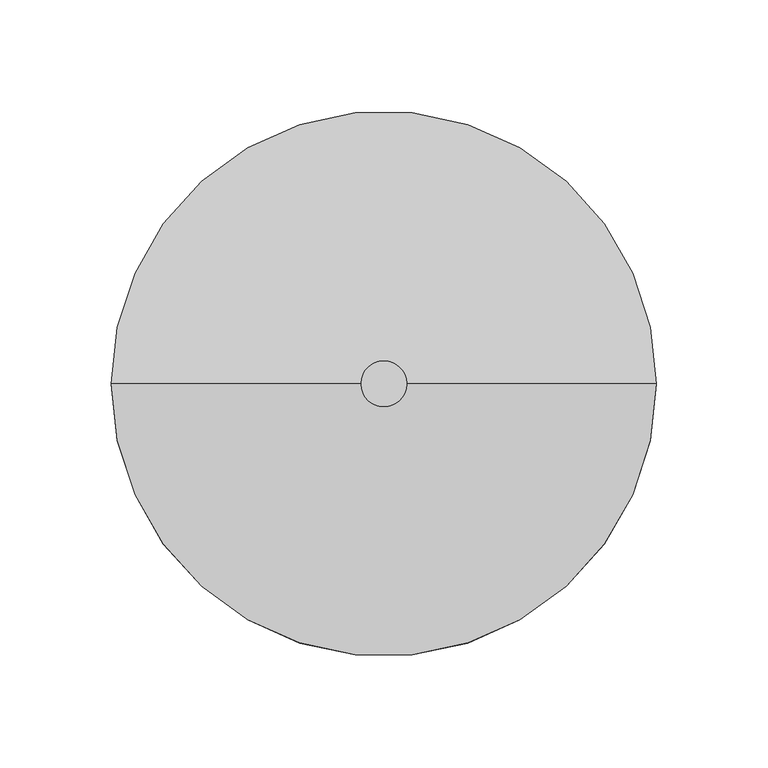
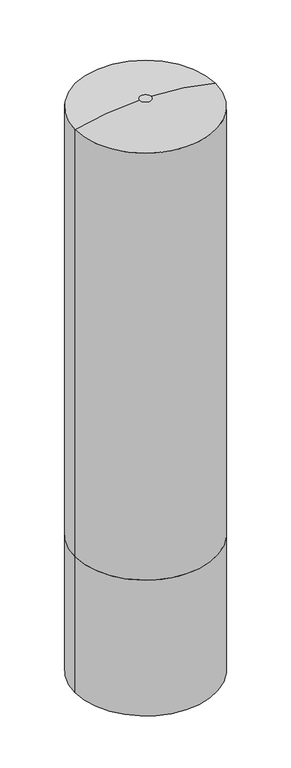
"""IFC4 building model written with IfcOpenShell, lengths in millimetres: furniture geometry."""

from ifc_helpers import new_model, si_unit, point, frame, origin, origin_with_axes, origin_2d, place, context, project, spatial, circle_curve, ellipse_curve, trimmed, segment, composite_curve, outline, extrude, source, transform, mapped, element, save
from ifc_brep_helpers import plane_surface, cylinder_surface, revolved_surface, advanced_brep


def furniture_e9acfa24(model_context):
    return source(origin(), model_context, "Body", "SolidModel", [
        advanced_brep(
        [(-122.1427179, 0.0, 0.0), (122.1427179, 0.0, 0.0), (122.1427179, 0.0, 784.9998145), (-122.1427179, 0.0, 784.9998145), (10.4309225, 0.0, 800.0819365), (-10.4309225, 0.0, 800.0819365)],
        [
            (0, 1, circle_curve(frame((0.0, 0.0, 0.0), z_axis=(0.0, 0.0, -1.0), x_axis=(1.0, 0.0, 0.0)), 122.1427179)),
            (1, 0, circle_curve(frame((0.0, 0.0, 0.0), z_axis=(0.0, 0.0, -1.0), x_axis=(1.0, 0.0, 0.0)), 122.1427179)),
            (1, 2),
            (2, 3, circle_curve(frame((0.0, 0.0, 784.9998145), z_axis=(0.0, 0.0, -1.0), x_axis=(1.0, 0.0, 0.0)), 122.1427179)),
            (3, 0),
            (3, 2, circle_curve(frame((0.0, 0.0, 784.9998145), z_axis=(0.0, 0.0, -1.0), x_axis=(1.0, 0.0, 0.0)), 122.1427179)),
            (4, 5, circle_curve(frame((0.0, 0.0, 800.0819365), z_axis=(0.0, 0.0, -1.0), x_axis=(-1.0, 0.0, 0.0)), 10.4309225)),
            (5, 3, circle_curve(frame((-10.4309225, 0.0, 378.8217321), z_axis=(0.0, -1.0, 0.0), x_axis=(1.0, 0.0, 0.0)), 421.2602044)),
            (2, 4, circle_curve(frame((10.4309225, 0.0, 378.8217321), z_axis=(0.0, -1.0, 0.0), x_axis=(-1.0, 0.0, 0.0)), 421.2602044)),
            (5, 4, circle_curve(frame((0.0, 0.0, 800.0819365), z_axis=(0.0, 0.0, -1.0), x_axis=(1.0, 0.0, 0.0)), 10.4309225)),
        ],
        [
            plane_surface(frame((122.1427179, 0.0, 0.0), z_axis=(0.0, 0.0, -1.0), x_axis=(0.0, -1.0, 0.0))),
            cylinder_surface(origin_with_axes(), 122.1427179),
            revolved_surface(trimmed(ellipse_curve(frame((-10.4309225, 0.0, 378.8217321), z_axis=(0.0, 1.0, 0.0), x_axis=(1.0, 0.0, 0.0)), 421.2602044, 421.2602044), [point((-122.1427179, 0.0, 784.9998145))], [point((-10.4309225, 0.0, 800.0819365))], True, "CARTESIAN"), (0.0, 0.0, 0.0), (0.0, 0.0, 1.0)),
            revolved_surface(trimmed(ellipse_curve(frame((10.4309225, 0.0, 378.8217321), z_axis=(0.0, -1.0, 0.0), x_axis=(-1.0, 0.0, 0.0)), 421.2602044, 421.2602044), [point((122.1427179, 0.0, 784.9998145))], [point((10.4309225, 0.0, 800.0819365))], True, "CARTESIAN"), (0.0, 0.0, 0.0), (0.0, 0.0, 1.0)),
            plane_surface(frame((0.0, 0.0, 800.0819365), z_axis=(0.0, 0.0, 1.0), x_axis=(1.0, 0.0, 0.0))),
        ],
        [
            (0, [[1, 2]]),
            (1, [[-2, 3, 4, 5]]),
            (1, [[-1, -5, 6, -3]]),
            (2, [[7, 8, -4, 9]]),
            (3, [[-8, 10, -9, -6]]),
            (4, [[-7, -10]]),
        ],
    ),
        extrude(outline(composite_curve([segment(trimmed(circle_curve(origin_2d(), 122.1427179), [point((-122.1427179, 0.0))], [point((122.1427179, 0.0))], False, "CARTESIAN"), True, "CONTINUOUS"), segment(trimmed(circle_curve(origin_2d(), 122.1427179), [point((122.1427179, 0.0))], [point((-122.1427179, 0.0))], False, "CARTESIAN"), True, "CONTINUOUS")], self_intersect=False)), frame((0.0, 0.0, -250.0), z_axis=(0.0, 0.0, 1.0), x_axis=(1.0, 0.0, 0.0)), (0.0, 0.0, 1.0), 250.0),
    ])


if __name__ == "__main__":
    model = new_model("IFC4")
    model_context = context("Model", 3, world=origin())
    ifc_project = project(units=[si_unit("LENGTHUNIT", "METRE", prefix="MILLI")], contexts=[model_context])
    site = spatial("IfcSite", under=ifc_project)
    building = spatial("IfcBuilding", under=site)
    placement = place(None, origin())
    furniture_shape = furniture_e9acfa24(model_context)
    element("IfcFurniture", 1, at=placement, inside=building, context=model_context, shape_type="MappedRepresentation", body=[
        mapped(furniture_shape, transform((0.0, 0.0, 0.0), x_axis=(1.0, 0.0, 0.0), y_axis=(0.0, 1.0, 0.0), z_axis=(0.0, 0.0, 1.0))),
    ])
    save(model, "model.ifc")
